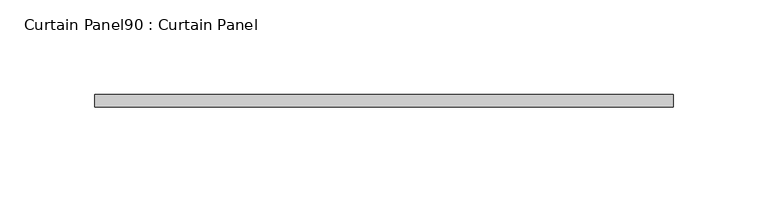
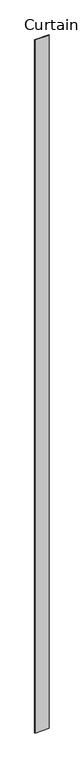
"""IFC4 building model written with IfcOpenShell, lengths in millimetres: plate geometry, Curtain Panel90 : Curtain Panel."""

import ifcopenshell
import ifcopenshell.guid

model = None  # the IFC model being written
_history = None  # IfcOwnerHistory: only IFC2X3 demands one
_inside = {}  # id of a spatial element -> (the spatial element, [elements in it])
_under = {}  # id of a project, library or spatial element -> (it, [spatial elements below it])
_declared = {}  # id of a project -> (the project, [libraries it declares])
_typed = {}  # id of a type object -> (the type object, [elements of that type])
_made_of = {}  # id of a material, layer set ... -> (it, [elements and type objects made of it])


def new_model(schema):
    """Start an empty IFC model of exactly this schema.

    Asked for "IFC4X3", IfcOpenShell would pick the latest addendum, in which some entities
    have other attributes; the version numbers below select the first issue.
    IFC2X3 requires an IfcOwnerHistory on every rooted entity: one is made here for all.
    """
    global model, _history
    if schema == "IFC4X3":
        model = ifcopenshell.file(schema_version=(4, 3, 0, 0))
    else:
        model = ifcopenshell.file(schema=schema)
    _inside.clear()
    _under.clear()
    _declared.clear()
    _typed.clear()
    _made_of.clear()
    _history = None
    if model.schema == "IFC2X3":
        org = make("IfcOrganization", Name="unknown")
        user = make(
            "IfcPersonAndOrganization",
            ThePerson=make("IfcPerson", FamilyName="unknown"),
            TheOrganization=org,
        )
        app = make(
            "IfcApplication",
            ApplicationDeveloper=org,
            Version="unknown",
            ApplicationFullName="unknown",
            ApplicationIdentifier="unknown",
        )
        _history = make(
            "IfcOwnerHistory",
            OwningUser=user,
            OwningApplication=app,
            ChangeAction="ADDED",
            CreationDate=0,
        )
    return model


def make(cls, **values):
    """One entity of the class cls with the attributes given. An attribute that is None is left unset."""
    return model.create_entity(
        cls, **{name: value for name, value in values.items() if value is not None}
    )


def rooted(cls, **values):
    """An entity with a GlobalId (a new one), such as an element, a storey or a relation."""
    return make(cls, GlobalId=ifcopenshell.guid.new(), OwnerHistory=_history, **values)


def si_unit(unit_type, name, prefix=None):
    """IfcSIUnit, for example si_unit("LENGTHUNIT", "METRE", prefix="MILLI")."""
    return make("IfcSIUnit", UnitType=unit_type, Prefix=prefix, Name=name)


def assignment(units):
    """IfcUnitAssignment: the units of a project."""
    return None if units is None else make("IfcUnitAssignment", Units=units)


def point(xyz):
    """IfcCartesianPoint."""
    return None if xyz is None else make("IfcCartesianPoint", Coordinates=xyz)


def direction(xyz):
    """IfcDirection."""
    return None if xyz is None else make("IfcDirection", DirectionRatios=xyz)


def frame(location, z_axis=None, x_axis=None):
    """IfcAxis2Placement3D, a coordinate frame: its origin and axes. An axis left out is left unset."""
    return make(
        "IfcAxis2Placement3D",
        Location=point(location),
        Axis=direction(z_axis),
        RefDirection=direction(x_axis),
    )


def origin():
    """The frame at (0, 0, 0) with its axes left unset."""
    return frame((0.0, 0.0, 0.0))


def place(relative_to, where):
    """IfcLocalPlacement: puts the frame where relative to a parent placement (None: the world)."""
    return make(
        "IfcLocalPlacement", PlacementRelTo=relative_to, RelativePlacement=where
    )


def context(
    kind, dimensions, precision=None, world=None, true_north=None, identifier=None
):
    """IfcGeometricRepresentationContext, for example the 3D "Model" context."""
    return make(
        "IfcGeometricRepresentationContext",
        ContextIdentifier=identifier,
        ContextType=kind,
        CoordinateSpaceDimension=dimensions,
        Precision=precision,
        WorldCoordinateSystem=world,
        TrueNorth=true_north,
    )


def project(units=None, contexts=None):
    """IfcProject with its units and contexts."""
    return rooted(
        "IfcProject",
        Name="project",
        RepresentationContexts=contexts,
        UnitsInContext=assignment(units),
    )


def spatial(cls, under=None, at=None, **own):
    """A site, building, storey or space (cls), placed at a placement, below another one or the project."""
    s = rooted(cls, ObjectPlacement=at, **own)
    if under is not None:
        _under.setdefault(under.id(), (under, []))[1].append(s)
    return s


def polyline(points):
    """IfcPolyline through the points."""
    return make("IfcPolyline", Points=[point(p) for p in points])


def outline(outer, holes=None, kind="AREA"):
    """IfcArbitraryClosedProfileDef: a profile drawn as a closed curve; with holes, ...WithVoids."""
    if holes is None:
        return make("IfcArbitraryClosedProfileDef", ProfileType=kind, OuterCurve=outer)
    return make(
        "IfcArbitraryProfileDefWithVoids",
        ProfileType=kind,
        OuterCurve=outer,
        InnerCurves=holes,
    )


def extrude(swept, where, along, depth):
    """IfcExtrudedAreaSolid: the profile swept, set in the frame where, extruded along a direction by depth."""
    return make(
        "IfcExtrudedAreaSolid",
        SweptArea=swept,
        Position=where,
        ExtrudedDirection=direction(along),
        Depth=depth,
    )


def shape(context_of_items, identifier, shape_type, items):
    """IfcShapeRepresentation: the items that make up one representation, for example the "Body"."""
    return make(
        "IfcShapeRepresentation",
        ContextOfItems=context_of_items,
        RepresentationIdentifier=identifier,
        RepresentationType=shape_type,
        Items=items,
    )


def source(mapping_origin, context_of_items, identifier, shape_type, items):
    """IfcRepresentationMap: a shape defined once, which mapped items show again and again."""
    return make(
        "IfcRepresentationMap",
        MappingOrigin=mapping_origin,
        MappedRepresentation=shape(context_of_items, identifier, shape_type, items),
    )


def transform(
    local_origin,
    x_axis=None,
    y_axis=None,
    z_axis=None,
    scale=None,
    scale2=None,
    scale3=None,
    uniform=True,
):
    """IfcCartesianTransformationOperator3D, or its non-uniform kind. x_axis, y_axis, z_axis: its Axis1, 2, 3."""
    if uniform:
        return make(
            "IfcCartesianTransformationOperator3D",
            Axis1=direction(x_axis),
            Axis2=direction(y_axis),
            LocalOrigin=point(local_origin),
            Scale=scale,
            Axis3=direction(z_axis),
        )
    return make(
        "IfcCartesianTransformationOperator3DnonUniform",
        Axis1=direction(x_axis),
        Axis2=direction(y_axis),
        LocalOrigin=point(local_origin),
        Scale=scale,
        Axis3=direction(z_axis),
        Scale2=scale2,
        Scale3=scale3,
    )


def mapped(mapping_source, mapping_target):
    """IfcMappedItem: shows the shape of a source again, moved by a transform."""
    return make(
        "IfcMappedItem", MappingSource=mapping_source, MappingTarget=mapping_target
    )


def made_of(thing, what):
    """Note that an element or type object is made of a material, layer set ...; save() writes the relation."""
    if what is not None:
        _made_of.setdefault(what.id(), (what, []))[1].append(thing)
    return thing


def element(
    cls,
    number,
    at=None,
    inside=None,
    cuts=None,
    type_object=None,
    material=None,
    context=None,
    identifier="Body",
    shape_type=None,
    held_by="IfcProductDefinitionShape",
    body=None,
    shapes=None,
    **own,
):
    """One element of the class cls, such as IfcWall. Its Tag is "e" and its number.

    at: its placement. inside: the storey or other place that contains it. cuts: it is an
    opening in that element (IfcRelVoidsElement). A single representation is given by context,
    identifier, shape_type and body (its items); several are given by shapes. held_by: the class
    of the entity that holds the representations. save() writes the other relations.
    """
    e = rooted(cls, Tag="e%d" % number, ObjectPlacement=at, **own)
    if body is not None:
        shapes = [shape(context, identifier, shape_type, body)]
    if shapes is not None:
        e.Representation = make(held_by, Representations=shapes)
    if inside is not None:
        _inside.setdefault(inside.id(), (inside, []))[1].append(e)
    if cuts is not None:
        rooted(
            "IfcRelVoidsElement", RelatingBuildingElement=cuts, RelatedOpeningElement=e
        )
    if type_object is not None:
        _typed.setdefault(type_object.id(), (type_object, []))[1].append(e)
    return made_of(e, material)


def aggregate(whole, parts):
    """IfcRelAggregates: a whole, such as a stair, and the parts it consists of."""
    return rooted("IfcRelAggregates", RelatingObject=whole, RelatedObjects=parts)


def save(model, path):
    """Write the relations noted so far, then the file.

    IfcRelAggregates (storeys below a building ...), IfcRelContainedInSpatialStructure (elements
    in a storey), IfcRelDefinesByType, IfcRelAssociatesMaterial and IfcRelDeclares: one each for
    every whole, place, type object, material and project.
    """
    for whole, parts in _under.values():
        aggregate(whole, parts)
    for where, things in _inside.values():
        rooted(
            "IfcRelContainedInSpatialStructure",
            RelatedElements=things,
            RelatingStructure=where,
        )
    for kind, things in _typed.values():
        rooted("IfcRelDefinesByType", RelatedObjects=things, RelatingType=kind)
    for what, things in _made_of.values():
        rooted("IfcRelAssociatesMaterial", RelatedObjects=things, RelatingMaterial=what)
    for by, libraries in _declared.values():
        rooted("IfcRelDeclares", RelatingContext=by, RelatedDefinitions=libraries)
    model.write(path)


def curtain_panel90_curtain_panel_4b8e06ad(model_context):
    return source(origin(), model_context, "Body", "SweptSolid", [
        extrude(outline(polyline([(176429.1950674, 7971.4334949), (176124.8464711, 7971.4334949), (176124.8464711, 7977.7834949), (176429.1950674, 7977.7834949), (176429.1950674, 7971.4334949)])), frame((0.0, 0.0, 1433.7679301), z_axis=(0.0, 0.0, 1.0), x_axis=(1.0, 0.0, 0.0)), (0.0, 0.0, 1.0), 15786.2064664),
    ])


if __name__ == "__main__":
    model = new_model("IFC4")
    model_context = context("Model", 3, world=origin())
    ifc_project = project(units=[si_unit("LENGTHUNIT", "METRE", prefix="MILLI")], contexts=[model_context])
    site = spatial("IfcSite", under=ifc_project)
    building = spatial("IfcBuilding", under=site)
    placement = place(None, origin())
    curtain_panel90_curtain_panel_shape = curtain_panel90_curtain_panel_4b8e06ad(model_context)
    element("IfcPlate", 1, ObjectType="Curtain Panel90 : Curtain Panel", at=placement, inside=building, context=model_context, shape_type="MappedRepresentation", body=[
        mapped(curtain_panel90_curtain_panel_shape, transform((0.0, 0.0, 0.0), x_axis=(1.0, 0.0, 0.0), y_axis=(0.0, 1.0, 0.0), z_axis=(0.0, 0.0, 1.0))),
    ])
    save(model, "model.ifc")
